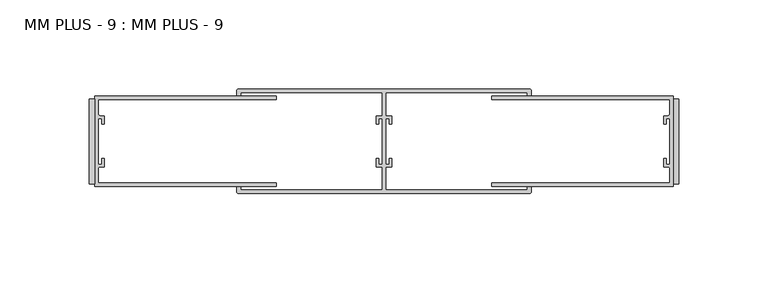
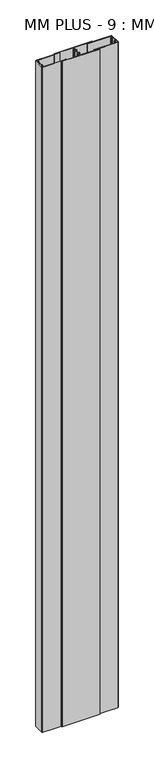
"""IFC4 building model written with IfcOpenShell, lengths in millimetres: proxy geometry, MM PLUS - 9 : MM PLUS - 9."""

from ifc_helpers import new_model, si_unit, point, frame_2d, origin, origin_with_axes, place, context, project, spatial, polyline, circle_curve, trimmed, segment, composite_curve, outline, extrude, source, transform, mapped, element, save


def mm_plus_9_mm_plus_9_168b5a45(model_context):
    return source(origin(), model_context, "Body", "SweptSolid", [
        extrude(outline(composite_curve([segment(polyline([(-3.175, -25.4), (-104.775, -25.4), (-104.775, -23.4188), (-5.1562, -23.4188), (-5.1562, -15.0674773)]), True, "CONTINUOUS"), segment(trimmed(circle_curve(frame_2d((-5.9182, -15.0674773)), 0.762), [point((-5.1562, -15.0674773))], [point((-5.9182, -14.3054773))], True, "CARTESIAN"), True, "CONTINUOUS"), segment(polyline([(-5.9182, -14.3054773), (-8.3312, -14.3054773), (-8.3312, -9.7334773), (-6.9342, -9.7334773), (-6.9342, -12.9084773), (-5.1562, -12.9084773), (-5.1562, 12.8979227), (-6.9342, 12.8979227), (-6.9342, 9.7229227), (-8.3312, 9.7229227), (-8.3312, 14.2949227), (-5.9182, 14.2949227)]), True, "CONTINUOUS"), segment(trimmed(circle_curve(frame_2d((-5.9182, 15.0569227)), 0.762), [point((-5.9182, 14.2949227))], [point((-5.1562, 15.0569227))], True, "CARTESIAN"), True, "CONTINUOUS"), segment(polyline([(-5.1562, 15.0569227), (-5.1562, 23.4188), (-104.775, 23.4188), (-104.775, 25.4), (-3.175, 25.4), (-3.175, -25.4)]), True, "CONTINUOUS")], self_intersect=False)), origin_with_axes(), (0.0, 0.0, 1.0), 3048.0),
        extrude(outline(polyline([(-3.175, 23.8125), (0.0, 23.8125), (0.0, -23.8125), (-3.175, -23.8125), (-3.175, 23.8125)])), origin_with_axes(), (0.0, 0.0, 1.0), 3048.0),
        extrude(outline(polyline([(-330.2, 23.8125), (-327.025, 23.8125), (-327.025, -23.8125), (-330.2, -23.8125), (-330.2, 23.8125)])), origin_with_axes(), (0.0, 0.0, 1.0), 3048.0),
        extrude(outline(composite_curve([segment(polyline([(-84.8480234, 27.305), (-164.1094, 27.305), (-164.1094, 14.3053805), (-160.8972939, 14.3053805), (-160.8972939, 9.7210041), (-162.2863564, 9.7210041), (-162.2863564, 12.9032004), (-164.1094, 12.9032004), (-164.1094, -12.9032004), (-162.2863564, -12.9032004), (-162.2863564, -9.7210041), (-160.8972939, -9.7210041), (-160.8972939, -14.3053805), (-164.1094, -14.3053805), (-164.1094, -27.305), (-84.8480234, -27.305), (-84.8480234, -25.527), (-82.551524, -25.527), (-82.551524, -28.095575)]), True, "CONTINUOUS"), segment(trimmed(circle_curve(frame_2d((-83.742149, -28.095575)), 1.190625), [point((-82.551524, -28.095575))], [point((-83.742149, -29.2862))], False, "CARTESIAN"), True, "CONTINUOUS"), segment(polyline([(-83.742149, -29.2862), (-246.457851, -29.2862)]), True, "CONTINUOUS"), segment(trimmed(circle_curve(frame_2d((-246.457851, -28.095575)), 1.190625), [point((-246.457851, -29.2862))], [point((-247.648476, -28.095575))], False, "CARTESIAN"), True, "CONTINUOUS"), segment(polyline([(-247.648476, -28.095575), (-247.648476, -25.527), (-245.3519766, -25.527), (-245.3519766, -27.305), (-166.0906, -27.305), (-166.0906, -14.3053805), (-169.3027061, -14.3053805), (-169.3027061, -9.7210041), (-167.9136436, -9.7210041), (-167.9136436, -12.9032004), (-166.1234, -12.9032004), (-166.1234, 12.9032004), (-167.9136436, 12.9032004), (-167.9136436, 9.7210041), (-169.3027061, 9.7210041), (-169.3027061, 14.3053805), (-166.0906, 14.3053805), (-166.0906, 27.305), (-245.3519766, 27.305), (-245.3519766, 25.527), (-247.648476, 25.527), (-247.648476, 28.095575)]), True, "CONTINUOUS"), segment(trimmed(circle_curve(frame_2d((-246.457851, 28.095575)), 1.190625), [point((-247.648476, 28.095575))], [point((-246.457851, 29.2862))], False, "CARTESIAN"), True, "CONTINUOUS"), segment(polyline([(-246.457851, 29.2862), (-83.742149, 29.2862)]), True, "CONTINUOUS"), segment(trimmed(circle_curve(frame_2d((-83.742149, 28.095575)), 1.190625), [point((-83.742149, 29.2862))], [point((-82.551524, 28.095575))], False, "CARTESIAN"), True, "CONTINUOUS"), segment(polyline([(-82.551524, 28.095575), (-82.551524, 25.527), (-84.8480234, 25.527), (-84.8480234, 27.305)]), True, "CONTINUOUS")], self_intersect=False)), origin_with_axes(), (0.0, 0.0, 1.0), 3048.0),
        extrude(outline(composite_curve([segment(polyline([(-327.025, -25.4), (-327.025, 25.4), (-225.425, 25.4), (-225.425, 23.4188), (-325.0438, 23.4188), (-325.0438, 15.0569227)]), True, "CONTINUOUS"), segment(trimmed(circle_curve(frame_2d((-324.2818, 15.0569227)), 0.762), [point((-325.0438, 15.0569227))], [point((-324.2818, 14.2949227))], True, "CARTESIAN"), True, "CONTINUOUS"), segment(polyline([(-324.2818, 14.2949227), (-321.8688, 14.2949227), (-321.8688, 9.7229227), (-323.2658, 9.7229227), (-323.2658, 12.8979227), (-325.0438, 12.8979227), (-325.0438, -12.9084773), (-323.2658, -12.9084773), (-323.2658, -9.7334773), (-321.8688, -9.7334773), (-321.8688, -14.3054773), (-324.2818, -14.3054773)]), True, "CONTINUOUS"), segment(trimmed(circle_curve(frame_2d((-324.2818, -15.0674773)), 0.762), [point((-324.2818, -14.3054773))], [point((-325.0438, -15.0674773))], True, "CARTESIAN"), True, "CONTINUOUS"), segment(polyline([(-325.0438, -15.0674773), (-325.0438, -23.4188), (-225.425, -23.4188), (-225.425, -25.4), (-327.025, -25.4)]), True, "CONTINUOUS")], self_intersect=False)), origin_with_axes(), (0.0, 0.0, 1.0), 3048.0),
    ])


if __name__ == "__main__":
    model = new_model("IFC4")
    model_context = context("Model", 3, world=origin())
    ifc_project = project(units=[si_unit("LENGTHUNIT", "METRE", prefix="MILLI")], contexts=[model_context])
    site = spatial("IfcSite", under=ifc_project)
    building = spatial("IfcBuilding", under=site)
    placement = place(None, origin())
    mm_plus_9_mm_plus_9_shape = mm_plus_9_mm_plus_9_168b5a45(model_context)
    element("IfcBuildingElementProxy", 1, Name="MM PLUS - 9 : MM PLUS - 9", ObjectType="MM PLUS - 9 : MM PLUS - 9", at=placement, inside=building, context=model_context, shape_type="MappedRepresentation", body=[
        mapped(mm_plus_9_mm_plus_9_shape, transform((0.0, 0.0, 0.0), x_axis=(1.0, 0.0, 0.0), y_axis=(0.0, 1.0, 0.0), z_axis=(0.0, 0.0, 1.0))),
    ])
    save(model, "model.ifc")
